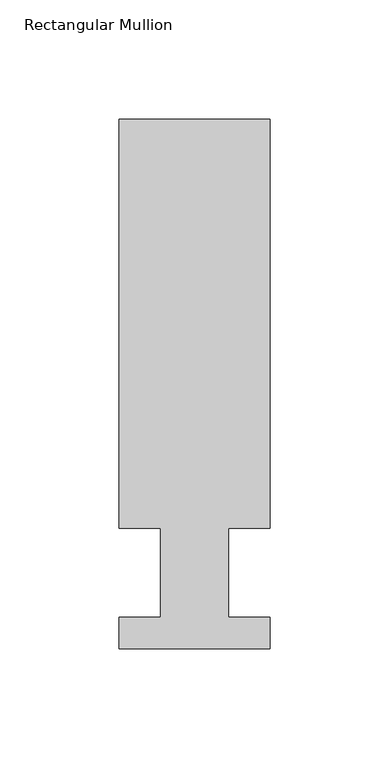
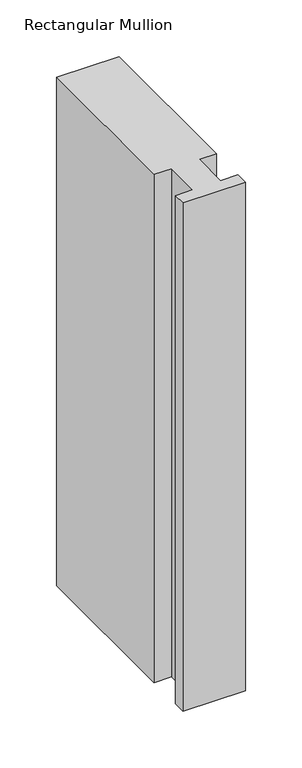
"""IFC4 building model written with IfcOpenShell, lengths in millimetres: member geometry, Rectangular Mullion."""

from ifc_helpers import new_model, si_unit, frame, origin, place, context, project, spatial, polyline, outline, extrude, source, transform, mapped, element, save


def rectangular_mullion_5f1f2138(model_context):
    return source(origin(), model_context, "Body", "SweptSolid", [
        extrude(outline(polyline([(-63.5, 222.5381313), (-5e-07, 222.5381313), (-5e-07, 50.8091913), (-17.4625004, 50.8091913), (-17.4625004, 13.3834445), (0.0, 13.3834445), (0.0, 0.2008445), (-63.5, 0.2008445), (-63.5, 13.3834445), (-46.0248001, 13.3834445), (-46.0248001, 50.8091913), (-63.5, 50.8091913), (-63.5, 222.5381313)])), frame((0.0, 0.0, -546.1000004), z_axis=(0.0, 0.0, 1.0), x_axis=(1.0, 0.0, 0.0)), (0.0, 0.0, 1.0), 546.1000004),
    ])


if __name__ == "__main__":
    model = new_model("IFC4")
    model_context = context("Model", 3, world=origin())
    ifc_project = project(units=[si_unit("LENGTHUNIT", "METRE", prefix="MILLI")], contexts=[model_context])
    site = spatial("IfcSite", under=ifc_project)
    building = spatial("IfcBuilding", under=site)
    placement = place(None, origin())
    rectangular_mullion_shape = rectangular_mullion_5f1f2138(model_context)
    element("IfcMember", 1, ObjectType="Rectangular Mullion", at=placement, inside=building, context=model_context, shape_type="MappedRepresentation", body=[
        mapped(rectangular_mullion_shape, transform((0.0, 0.0, 0.0), x_axis=(1.0, 0.0, 0.0), y_axis=(0.0, 1.0, 0.0), z_axis=(0.0, 0.0, 1.0))),
    ])
    save(model, "model.ifc")
